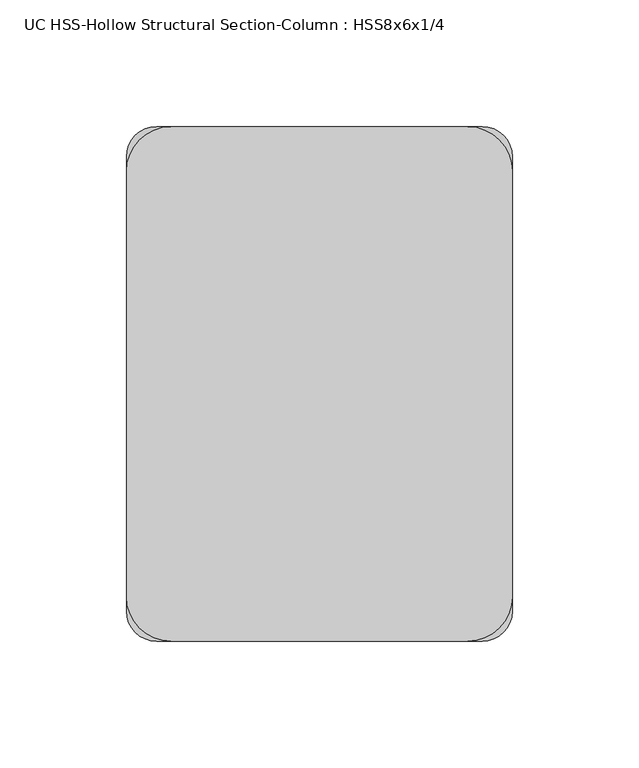
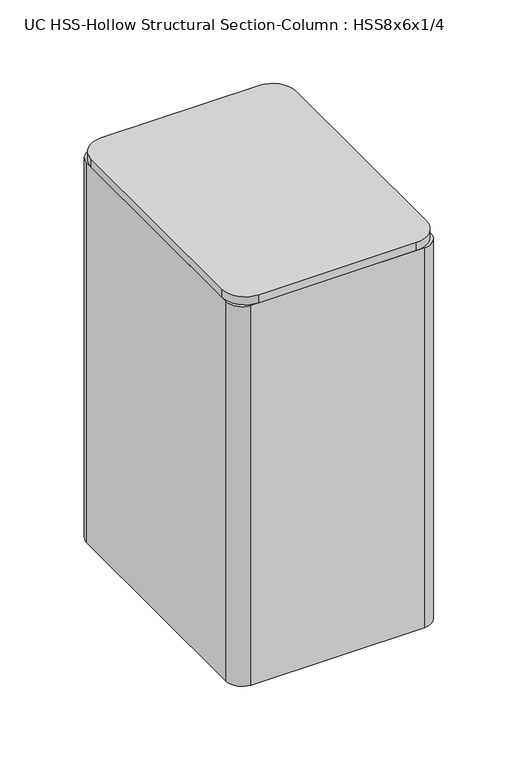
"""IFC4 building model written with IfcOpenShell, lengths in millimetres: column geometry, UC HSS-Hollow Structural Section-Column : HSS8x6x1/4."""

from ifc_helpers import new_model, si_unit, point, frame, frame_2d, origin, place, context, project, spatial, polyline, circle_curve, trimmed, segment, composite_curve, outline, extrude, source, transform, mapped, element, save


def uc_hss_hollow_structural_section_column_hss8x6x1_4_aa8d8a07(model_context):
    return source(origin(), model_context, "Body", "SweptSolid", [
        extrude(outline(composite_curve([segment(polyline([(-76.2, -83.9390625), (-76.2, 83.9390625)]), True, "CONTINUOUS"), segment(trimmed(circle_curve(frame_2d((-58.5390625, 83.9390625)), 17.6609375), [point((-76.2, 83.9390625))], [point((-58.5390625, 101.6))], False, "CARTESIAN"), True, "CONTINUOUS"), segment(polyline([(-58.5390625, 101.6), (58.5390625, 101.6)]), True, "CONTINUOUS"), segment(trimmed(circle_curve(frame_2d((58.5390625, 83.9390625)), 17.6609375), [point((58.5390625, 101.6))], [point((76.2, 83.9390625))], False, "CARTESIAN"), True, "CONTINUOUS"), segment(polyline([(76.2, 83.9390625), (76.2, -83.9390625)]), True, "CONTINUOUS"), segment(trimmed(circle_curve(frame_2d((58.5390625, -83.9390625)), 17.6609375), [point((76.2, -83.9390625))], [point((58.5390625, -101.6))], False, "CARTESIAN"), True, "CONTINUOUS"), segment(polyline([(58.5390625, -101.6), (-58.5390625, -101.6)]), True, "CONTINUOUS"), segment(trimmed(circle_curve(frame_2d((-58.5390625, -83.9390625)), 17.6609375), [point((-58.5390625, -101.6))], [point((-76.2, -83.9390625))], False, "CARTESIAN"), True, "CONTINUOUS")], self_intersect=False)), frame((0.0, 0.0, 8502.65), z_axis=(0.0, 0.0, 1.0), x_axis=(1.0, 0.0, 0.0)), (0.0, 0.0, 1.0), 6.35),
        extrude(outline(composite_curve([segment(polyline([(64.3636, -101.6), (-64.3636, -101.6)]), True, "CONTINUOUS"), segment(trimmed(circle_curve(frame_2d((-64.3636, -89.7636)), 11.8364), [point((-64.3636, -101.6))], [point((-76.2, -89.7636))], False, "CARTESIAN"), True, "CONTINUOUS"), segment(polyline([(-76.2, -89.7636), (-76.2, 89.7636)]), True, "CONTINUOUS"), segment(trimmed(circle_curve(frame_2d((-64.3636, 89.7636)), 11.8364), [point((-76.2, 89.7636))], [point((-64.3636, 101.6))], False, "CARTESIAN"), True, "CONTINUOUS"), segment(polyline([(-64.3636, 101.6), (64.3636, 101.6)]), True, "CONTINUOUS"), segment(trimmed(circle_curve(frame_2d((64.3636, 89.7636)), 11.8364), [point((64.3636, 101.6))], [point((76.2, 89.7636))], False, "CARTESIAN"), True, "CONTINUOUS"), segment(polyline([(76.2, 89.7636), (76.2, -89.7636)]), True, "CONTINUOUS"), segment(trimmed(circle_curve(frame_2d((64.3636, -89.7636)), 11.8364), [point((76.2, -89.7636))], [point((64.3636, -101.6))], False, "CARTESIAN"), True, "CONTINUOUS")], self_intersect=False), holes=[composite_curve([segment(trimmed(circle_curve(frame_2d((64.3636, -89.7636)), 5.9182), [point((64.3636, -95.6818))], [point((70.2818, -89.7636))], True, "CARTESIAN"), True, "CONTINUOUS"), segment(polyline([(70.2818, -89.7636), (70.2818, 89.7636)]), True, "CONTINUOUS"), segment(trimmed(circle_curve(frame_2d((64.3636, 89.7636)), 5.9182), [point((70.2818, 89.7636))], [point((64.3636, 95.6818))], True, "CARTESIAN"), True, "CONTINUOUS"), segment(polyline([(64.3636, 95.6818), (-64.3636, 95.6818)]), True, "CONTINUOUS"), segment(trimmed(circle_curve(frame_2d((-64.3636, 89.7636)), 5.9182), [point((-64.3636, 95.6818))], [point((-70.2818, 89.7636))], True, "CARTESIAN"), True, "CONTINUOUS"), segment(polyline([(-70.2818, 89.7636), (-70.2818, -89.7636)]), True, "CONTINUOUS"), segment(trimmed(circle_curve(frame_2d((-64.3636, -89.7636)), 5.9182), [point((-70.2818, -89.7636))], [point((-64.3636, -95.6818))], True, "CARTESIAN"), True, "CONTINUOUS"), segment(polyline([(-64.3636, -95.6818), (64.3636, -95.6818)]), True, "CONTINUOUS")], self_intersect=False)]), frame((0.0, 0.0, 8204.2), z_axis=(0.0, 0.0, 1.0), x_axis=(1.0, 0.0, 0.0)), (0.0, 0.0, 1.0), 298.45),
    ])


if __name__ == "__main__":
    model = new_model("IFC4")
    model_context = context("Model", 3, world=origin())
    ifc_project = project(units=[si_unit("LENGTHUNIT", "METRE", prefix="MILLI")], contexts=[model_context])
    site = spatial("IfcSite", under=ifc_project)
    building = spatial("IfcBuilding", under=site)
    placement = place(None, origin())
    uc_hss_hollow_structural_section_column_hss8x6x1_4_shape = uc_hss_hollow_structural_section_column_hss8x6x1_4_aa8d8a07(model_context)
    element("IfcColumn", 1, ObjectType="UC HSS-Hollow Structural Section-Column : HSS8x6x1/4", at=placement, inside=building, context=model_context, shape_type="MappedRepresentation", body=[
        mapped(uc_hss_hollow_structural_section_column_hss8x6x1_4_shape, transform((0.0, 0.0, 0.0), x_axis=(1.0, 0.0, 0.0), y_axis=(0.0, 1.0, 0.0), z_axis=(0.0, 0.0, 1.0))),
    ])
    save(model, "model.ifc")
